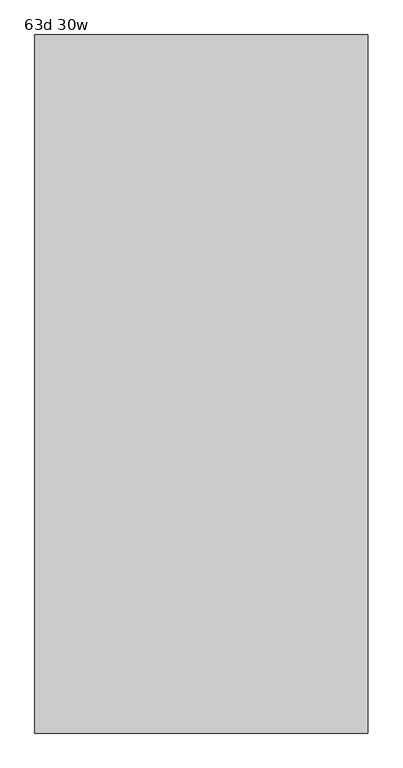
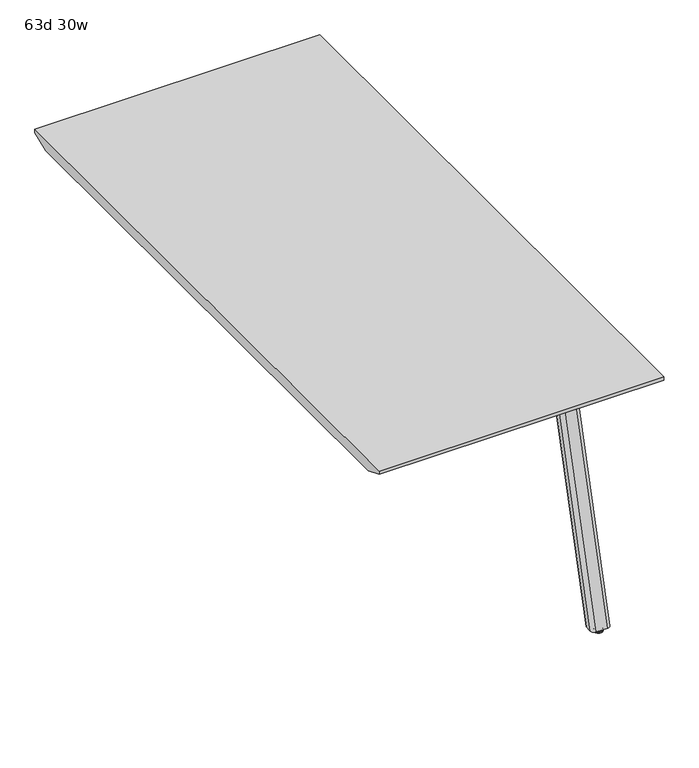
"""IFC4 building model written with IfcOpenShell, lengths in millimetres: furniture geometry, 63d 30w."""

from ifc_helpers import new_model, si_unit, point, frame, frame_2d, origin, place, context, project, spatial, polyline, circle_curve, ellipse_curve, trimmed, segment, composite_curve, outline, extrude, faceted_brep, source, transform, mapped, element, save
from ifc_brep_helpers import plane_surface, cylinder_surface, revolved_surface, extruded_surface, advanced_brep


def furniture_63d_30w_35527558(model_context):
    return source(origin(), model_context, "Body", "SolidModel", [
        extrude(outline(composite_curve([segment(polyline([(396.8908754, -1423.6587974), (504.0471246, -1423.6587974)]), True, "CONTINUOUS"), segment(trimmed(circle_curve(frame_2d((504.0471246, -1433.5806724)), 9.921875), [point((504.0471246, -1423.6587974))], [point((513.9689996, -1433.5806724))], False, "CARTESIAN"), True, "CONTINUOUS"), segment(polyline([(513.9689996, -1433.5806724), (513.9689996, -1515.3369163)]), True, "CONTINUOUS"), segment(trimmed(circle_curve(frame_2d((504.0471246, -1515.3369163)), 9.921875), [point((513.9689996, -1515.3369163))], [point((504.0471246, -1525.2587913))], False, "CARTESIAN"), True, "CONTINUOUS"), segment(polyline([(504.0471246, -1525.2587913), (396.8908754, -1525.2587913)]), True, "CONTINUOUS"), segment(trimmed(circle_curve(frame_2d((396.8908754, -1515.3369163)), 9.921875), [point((396.8908754, -1525.2587913))], [point((386.9690004, -1515.3369163))], False, "CARTESIAN"), True, "CONTINUOUS"), segment(polyline([(386.9690004, -1515.3369163), (386.9690004, -1433.5806724)]), True, "CONTINUOUS"), segment(trimmed(circle_curve(frame_2d((396.8908754, -1433.5806724)), 9.921875), [point((386.9690004, -1433.5806724))], [point((396.8908754, -1423.6587974))], False, "CARTESIAN"), True, "CONTINUOUS")], self_intersect=False)), frame((0.0, 0.0, 705.2055984), z_axis=(0.0, 0.0, 1.0), x_axis=(1.0, 0.0, 0.0)), (0.0, 0.0, 1.0), 5.9944016),
        advanced_brep(
        [(506.1270371, -1489.9941016, 705.2055984), (459.0729629, -1489.9941016, 705.2055984), (457.5809603, -1491.4861042, 705.2055984), (457.5809603, -1510.2969272, 705.2055984), (467.5028353, -1520.2188022, 705.2055984), (497.6971647, -1520.2188022, 705.2055984), (507.6190397, -1510.2969272, 705.2055984), (507.6190397, -1491.4861042, 705.2055984), (506.1270371, -1675.1899744, 10.7173168), (507.6190397, -1676.681977, 10.7173168), (507.6190397, -1696.3691016, 10.7173168), (497.6971647, -1706.2909766, 10.7173168), (467.5028353, -1706.2909766, 10.7173168), (457.5809603, -1696.3691016, 10.7173168), (457.5809603, -1676.681977, 10.7173168), (459.0729629, -1675.1899744, 10.7173168)],
        [
            (0, 1),
            (1, 2, circle_curve(frame((459.0729629, -1491.4861042, 705.2055984), z_axis=(0.0, 0.0, 1.0), x_axis=(-1.0, 0.0, 0.0)), 1.4920026)),
            (2, 3),
            (3, 4, circle_curve(frame((467.5028353, -1510.2969272, 705.2055984), z_axis=(0.0, 0.0, 1.0), x_axis=(-1.0, 0.0, 0.0)), 9.921875)),
            (4, 5),
            (5, 6, circle_curve(frame((497.6971647, -1510.2969272, 705.2055984), z_axis=(0.0, 0.0, 1.0), x_axis=(-1.0, 0.0, 0.0)), 9.921875)),
            (6, 7),
            (7, 0, circle_curve(frame((506.1270371, -1491.4861042, 705.2055984), z_axis=(0.0, 0.0, 1.0), x_axis=(-1.0, 0.0, 0.0)), 1.4920026)),
            (8, 9, circle_curve(frame((506.1270371, -1676.681977, 10.7173168), z_axis=(0.0, 0.0, -1.0), x_axis=(-1.0, 0.0, 0.0)), 1.4920026)),
            (9, 10),
            (10, 11, circle_curve(frame((497.6971647, -1696.3691016, 10.7173168), z_axis=(0.0, 0.0, -1.0), x_axis=(-1.0, 0.0, 0.0)), 9.921875)),
            (11, 12),
            (12, 13, circle_curve(frame((467.5028353, -1696.3691016, 10.7173168), z_axis=(0.0, 0.0, -1.0), x_axis=(-1.0, 0.0, 0.0)), 9.921875)),
            (13, 14),
            (14, 15, circle_curve(frame((459.0729629, -1676.681977, 10.7173168), z_axis=(0.0, 0.0, -1.0), x_axis=(-1.0, 0.0, 0.0)), 1.4920026)),
            (15, 8),
            (8, 0),
            (7, 9),
            (6, 10),
            (5, 11),
            (4, 12),
            (3, 13),
            (2, 14),
            (1, 15),
        ],
        [
            plane_surface(frame((482.6, -1502.9989838, 705.2055984), z_axis=(0.0, 0.0, 1.0), x_axis=(1.0, 0.0, 0.0))),
            plane_surface(frame((482.6, -1688.6330074, 10.7173168), z_axis=(0.0, 0.0, -1.0), x_axis=(1.0, 0.0, 0.0))),
            extruded_surface(trimmed(circle_curve(frame((506.1270371, -1491.4861042, 705.2055984), z_axis=(0.0, 0.0, -1.0), x_axis=(-1.0, 0.0, 0.0)), 1.4920026), [point((506.1270371, -1489.9941016, 705.2055984))], [point((507.6190397, -1491.4861042, 705.2055984))], True, "CARTESIAN"), (0.0, -185.19587279999996, -694.4882815999999), 718.7569022846839),
            plane_surface(frame((507.6190397, -1686.5255393, 10.7173168), z_axis=(1.0, 0.0, 0.0), x_axis=(0.0, -1.0, 0.0))),
            extruded_surface(trimmed(circle_curve(frame((497.6971647, -1510.2969272, 705.2055984), z_axis=(0.0, 0.0, -1.0), x_axis=(-1.0, 0.0, 0.0)), 9.921875), [point((507.6190397, -1510.2969272, 705.2055984))], [point((497.6971647, -1520.2188022, 705.2055984))], True, "CARTESIAN"), (0.0, -186.0721744, -694.4882815999999), 718.9831899047882),
            plane_surface(frame((482.6, -1706.2909766, 10.7173168), z_axis=(0.0, -0.9659311808061944, 0.2587990609456514), x_axis=(-1.0, 0.0, 0.0))),
            extruded_surface(trimmed(circle_curve(frame((467.5028353, -1510.2969272, 705.2055984), z_axis=(0.0, 0.0, -1.0), x_axis=(-1.0, 0.0, 0.0)), 9.921875), [point((467.5028353, -1520.2188022, 705.2055984))], [point((457.5809603, -1510.2969272, 705.2055984))], True, "CARTESIAN"), (0.0, -186.0721744, -694.4882815999999), 718.9831899047882),
            plane_surface(frame((457.5809603, -1686.5255393, 10.7173168), z_axis=(-1.0, 0.0, 0.0), x_axis=(0.0, 1.0, 0.0))),
            extruded_surface(trimmed(circle_curve(frame((459.0729629, -1491.4861042, 705.2055984), z_axis=(0.0, 0.0, -1.0), x_axis=(-1.0, 0.0, 0.0)), 1.4920026), [point((457.5809603, -1491.4861042, 705.2055984))], [point((459.0729629, -1489.9941016, 705.2055984))], True, "CARTESIAN"), (0.0, -185.19587279999996, -694.4882815999999), 718.7569022846839),
            plane_surface(frame((482.6, -1675.1899744, 10.7173168), z_axis=(0.0, 0.9662352867758855, -0.2576613486519124), x_axis=(1.0, 0.0, 0.0))),
        ],
        [
            (0, [[1, 2, 3, 4, 5, 6, 7, 8]]),
            (1, [[9, 10, 11, 12, 13, 14, 15, 16]]),
            (2, [[17, -8, 18, -9]]),
            (3, [[-18, -7, 19, -10]]),
            (4, [[-19, -6, 20, -11]]),
            (5, [[-20, -5, 21, -12]]),
            (6, [[-21, -4, 22, -13]]),
            (7, [[-22, -3, 23, -14]]),
            (8, [[-23, -2, 24, -15]]),
            (9, [[-24, -1, -17, -16]]),
        ],
    ),
        advanced_brep(
        [(486.5999739, -1690.4159766, 35.0000007), (482.6, -1690.4159766, 35.0000007), (478.6000261, -1690.4159766, 35.0000007), (486.5999739, -1690.4159766, 5.0000003), (478.6000261, -1690.4159766, 5.0000003), (492.8062326, -1690.4159766, 5.0000003), (472.3937674, -1690.4159766, 5.0000003), (493.5999826, -1690.4159766, 4.2062503), (471.6000174, -1690.4159766, 4.2062503), (493.5999826, -1690.4159766, 0.79375), (471.6000174, -1690.4159766, 0.79375), (492.8062326, -1690.4159766, 0.0), (472.3937674, -1690.4159766, 0.0), (482.6, -1690.4159766, 0.0)],
        [
            (0, 1),
            (1, 2),
            (2, 0, circle_curve(frame((482.6, -1690.4159766, 35.0000007), z_axis=(0.0, 0.0, 1.0), x_axis=(-1.0000000000000004, 0.0, 0.0)), 3.9999739)),
            (0, 2, circle_curve(frame((482.6, -1690.4159766, 35.0000007), z_axis=(0.0, 0.0, 1.0), x_axis=(-1.0000000000000004, 0.0, 0.0)), 3.9999739)),
            (3, 0),
            (2, 4),
            (4, 3, circle_curve(frame((482.6, -1690.4159766, 5.0000003), z_axis=(0.0, 0.0, 1.0), x_axis=(-1.0000000000000004, 0.0, 0.0)), 3.9999739)),
            (3, 4, circle_curve(frame((482.6, -1690.4159766, 5.0000003), z_axis=(0.0, 0.0, 1.0), x_axis=(-1.0000000000000004, 0.0, 0.0)), 3.9999739)),
            (5, 3),
            (4, 6),
            (6, 5, circle_curve(frame((482.6, -1690.4159766, 5.0000003), z_axis=(0.0, 0.0, 1.0), x_axis=(-1.0000000000000004, 0.0, 0.0)), 10.2062326)),
            (5, 6, circle_curve(frame((482.6, -1690.4159766, 5.0000003), z_axis=(0.0, 0.0, 1.0), x_axis=(-1.0000000000000004, 0.0, 0.0)), 10.2062326)),
            (7, 5, circle_curve(frame((492.8062326, -1690.4159766, 4.2062503), z_axis=(0.0, -1.0000000000000004, 0.0), x_axis=(0.0, 0.0, -1.0)), 0.79375)),
            (6, 8, circle_curve(frame((472.3937674, -1690.4159766, 4.2062503), z_axis=(0.0, -1.0000000000000004, 0.0), x_axis=(0.0, 0.0, -1.0)), 0.79375)),
            (8, 7, circle_curve(frame((482.6, -1690.4159766, 4.2062503), z_axis=(0.0, 0.0, 1.0), x_axis=(-1.0000000000000004, 0.0, 0.0)), 10.9999826)),
            (7, 8, circle_curve(frame((482.6, -1690.4159766, 4.2062503), z_axis=(0.0, 0.0, 1.0), x_axis=(-1.0000000000000004, 0.0, 0.0)), 10.9999826)),
            (9, 7),
            (8, 10),
            (10, 9, circle_curve(frame((482.6, -1690.4159766, 0.79375), z_axis=(0.0, 0.0, 1.0), x_axis=(-1.0000000000000004, 0.0, 0.0)), 10.9999826)),
            (9, 10, circle_curve(frame((482.6, -1690.4159766, 0.79375), z_axis=(0.0, 0.0, 1.0), x_axis=(-1.0000000000000004, 0.0, 0.0)), 10.9999826)),
            (11, 9, circle_curve(frame((492.8062326, -1690.4159766, 0.79375), z_axis=(0.0, -1.0000000000000004, 0.0), x_axis=(0.0, 0.0, -1.0)), 0.79375)),
            (10, 12, circle_curve(frame((472.3937674, -1690.4159766, 0.79375), z_axis=(0.0, -1.0000000000000004, 0.0), x_axis=(0.0, 0.0, -1.0)), 0.79375)),
            (12, 11, circle_curve(frame((482.6, -1690.4159766, 0.0), z_axis=(0.0, 0.0, 1.0), x_axis=(-1.0000000000000004, 0.0, 0.0)), 10.2062326)),
            (11, 12, circle_curve(frame((482.6, -1690.4159766, 0.0), z_axis=(0.0, 0.0, 1.0), x_axis=(-1.0000000000000004, 0.0, 0.0)), 10.2062326)),
            (13, 11),
            (12, 13),
        ],
        [
            plane_surface(frame((482.6, -1690.4159766, 35.0000007), z_axis=(0.0, 0.0, 1.0), x_axis=(-1.0, 0.0, 0.0))),
            cylinder_surface(frame((482.6, -1690.4159766, 52.3860264), z_axis=(0.0, 0.0, -1.0), x_axis=(-1.0000000000000004, 0.0, 0.0)), 3.9999739),
            plane_surface(frame((482.6, -1690.4159766, 5.0000003), z_axis=(0.0, 0.0, 1.0), x_axis=(-1.0, 0.0, 0.0))),
            revolved_surface(trimmed(ellipse_curve(frame((472.3937674, -1690.4159766, 4.2062503), z_axis=(0.0, -1.0000000000000004, 0.0), x_axis=(0.0, 0.0, -1.0)), 0.79375, 0.79375), [point((472.3937674, -1690.4159766, 5.0000003))], [point((471.6000174, -1690.4159766, 4.2062503))], True, "CARTESIAN"), (482.6, -1690.4159766, 52.3860264), (0.0, 0.0, -1.0)),
            cylinder_surface(frame((482.6, -1690.4159766, 52.3860264), z_axis=(0.0, 0.0, -1.0), x_axis=(-1.0000000000000004, 0.0, 0.0)), 10.9999826),
            revolved_surface(trimmed(ellipse_curve(frame((472.3937674, -1690.4159766, 0.79375), z_axis=(0.0, -1.0000000000000004, 0.0), x_axis=(0.0, 0.0, -1.0)), 0.79375, 0.79375), [point((471.6000174, -1690.4159766, 0.79375))], [point((472.3937674, -1690.4159766, 0.0))], True, "CARTESIAN"), (482.6, -1690.4159766, 52.3860264), (0.0, 0.0, -1.0)),
            plane_surface(frame((482.6, -1690.4159766, 0.0), z_axis=(0.0, 0.0, -1.0), x_axis=(-1.0, 0.0, 0.0))),
        ],
        [
            (0, [[1, 2, 3]]),
            (0, [[-2, -1, 4]]),
            (1, [[5, -3, 6, 7]]),
            (1, [[-6, -4, -5, 8]]),
            (2, [[9, -7, 10, 11]]),
            (2, [[-10, -8, -9, 12]]),
            (3, [[13, -11, 14, 15]]),
            (3, [[-14, -12, -13, 16]]),
            (4, [[17, -15, 18, 19]]),
            (4, [[-18, -16, -17, 20]]),
            (5, [[21, -19, 22, 23]]),
            (5, [[-22, -20, -21, 24]]),
            (6, [[25, -23, 26]]),
            (6, [[-26, -24, -25]]),
        ],
    ),
        extrude(outline(composite_curve([segment(trimmed(circle_curve(frame_2d((396.8908754, -561.3637807)), 9.921875), [point((396.8908754, -571.2856557))], [point((386.9690004, -561.3637807))], False, "CARTESIAN"), True, "CONTINUOUS"), segment(polyline([(386.9690004, -561.3637807), (386.9690004, -479.6075368)]), True, "CONTINUOUS"), segment(trimmed(circle_curve(frame_2d((396.8908754, -479.6075368)), 9.921875), [point((386.9690004, -479.6075368))], [point((396.8908754, -469.6856618))], False, "CARTESIAN"), True, "CONTINUOUS"), segment(polyline([(396.8908754, -469.6856618), (504.0471246, -469.6856618)]), True, "CONTINUOUS"), segment(trimmed(circle_curve(frame_2d((504.0471246, -479.6075368)), 9.921875), [point((504.0471246, -469.6856618))], [point((513.9689996, -479.6075368))], False, "CARTESIAN"), True, "CONTINUOUS"), segment(polyline([(513.9689996, -479.6075368), (513.9689996, -561.3637807)]), True, "CONTINUOUS"), segment(trimmed(circle_curve(frame_2d((504.0471246, -561.3637807)), 9.921875), [point((513.9689996, -561.3637807))], [point((504.0471246, -571.2856557))], False, "CARTESIAN"), True, "CONTINUOUS"), segment(polyline([(504.0471246, -571.2856557), (396.8908754, -571.2856557)]), True, "CONTINUOUS")], self_intersect=False)), frame((0.0, 0.0, 705.2055984), z_axis=(0.0, 0.0, 1.0), x_axis=(1.0, 0.0, 0.0)), (0.0, 0.0, 1.0), 5.9944016),
        advanced_brep(
        [(506.1270371, -504.9503516, 705.2055984), (507.6190397, -503.4583489, 705.2055984), (507.6190397, -484.6475259, 705.2055984), (497.6971647, -474.7256509, 705.2055984), (467.5028353, -474.7256509, 705.2055984), (457.5809603, -484.6475259, 705.2055984), (457.5809603, -503.4583489, 705.2055984), (459.0729629, -504.9503516, 705.2055984), (506.1270371, -319.7544788, 10.7173168), (459.0729629, -319.7544788, 10.7173168), (457.5809603, -318.2624761, 10.7173168), (457.5809603, -298.5753516, 10.7173168), (467.5028353, -288.6534766, 10.7173168), (497.6971647, -288.6534766, 10.7173168), (507.6190397, -298.5753516, 10.7173168), (507.6190397, -318.2624761, 10.7173168)],
        [
            (0, 1, circle_curve(frame((506.1270371, -503.4583489, 705.2055984), z_axis=(0.0, 0.0, 1.0), x_axis=(-1.0, 0.0, 0.0)), 1.4920026)),
            (1, 2),
            (2, 3, circle_curve(frame((497.6971647, -484.6475259, 705.2055984), z_axis=(0.0, 0.0, 1.0), x_axis=(-1.0, 0.0, 0.0)), 9.921875)),
            (3, 4),
            (4, 5, circle_curve(frame((467.5028353, -484.6475259, 705.2055984), z_axis=(0.0, 0.0, 1.0), x_axis=(-1.0, 0.0, 0.0)), 9.921875)),
            (5, 6),
            (6, 7, circle_curve(frame((459.0729629, -503.4583489, 705.2055984), z_axis=(0.0, 0.0, 1.0), x_axis=(-1.0, 0.0, 0.0)), 1.4920026)),
            (7, 0),
            (8, 9),
            (9, 10, circle_curve(frame((459.0729629, -318.2624761, 10.7173168), z_axis=(0.0, 0.0, -1.0), x_axis=(-1.0, 0.0, 0.0)), 1.4920026)),
            (10, 11),
            (11, 12, circle_curve(frame((467.5028353, -298.5753516, 10.7173168), z_axis=(0.0, 0.0, -1.0), x_axis=(-1.0, 0.0, 0.0)), 9.921875)),
            (12, 13),
            (13, 14, circle_curve(frame((497.6971647, -298.5753516, 10.7173168), z_axis=(0.0, 0.0, -1.0), x_axis=(-1.0, 0.0, 0.0)), 9.921875)),
            (14, 15),
            (15, 8, circle_curve(frame((506.1270371, -318.2624761, 10.7173168), z_axis=(0.0, 0.0, -1.0), x_axis=(-1.0, 0.0, 0.0)), 1.4920026)),
            (15, 1),
            (0, 8),
            (14, 2),
            (13, 3),
            (12, 4),
            (11, 5),
            (10, 6),
            (9, 7),
        ],
        [
            plane_surface(frame((482.6, -491.9454693, 705.2055984), z_axis=(0.0, 0.0, 1.0), x_axis=(1.0, 0.0, 0.0))),
            plane_surface(frame((482.6, -306.3114458, 10.7173168), z_axis=(0.0, 0.0, -1.0), x_axis=(1.0, 0.0, 0.0))),
            extruded_surface(trimmed(circle_curve(frame((506.1270371, -318.2624761, 10.7173168), z_axis=(0.0, 0.0, 1.0), x_axis=(-1.0, 0.0, 0.0)), 1.4920026), [point((506.1270371, -319.7544788, 10.7173168))], [point((507.6190397, -318.2624761, 10.7173168))], True, "CARTESIAN"), (0.0, -185.19587279999996, 694.4882815999999), 718.7569022846839),
            plane_surface(frame((507.6190397, -308.4189138, 10.7173168), z_axis=(1.0, 0.0, 0.0), x_axis=(0.0, 1.0, 0.0))),
            extruded_surface(trimmed(circle_curve(frame((497.6971647, -298.5753516, 10.7173168), z_axis=(0.0, 0.0, 1.0), x_axis=(-1.0, 0.0, 0.0)), 9.921875), [point((507.6190397, -298.5753516, 10.7173168))], [point((497.6971647, -288.6534766, 10.7173168))], True, "CARTESIAN"), (0.0, -186.07217430000003, 694.4882815999999), 718.9831898789083),
            plane_surface(frame((482.6, -288.6534766, 10.7173168), z_axis=(0.0, 0.9659311808061944, 0.2587990609456514), x_axis=(-1.0, 0.0, 0.0))),
            extruded_surface(trimmed(circle_curve(frame((467.5028353, -298.5753516, 10.7173168), z_axis=(0.0, 0.0, 1.0), x_axis=(-1.0, 0.0, 0.0)), 9.921875), [point((467.5028353, -288.6534766, 10.7173168))], [point((457.5809603, -298.5753516, 10.7173168))], True, "CARTESIAN"), (0.0, -186.07217430000003, 694.4882815999999), 718.9831898789083),
            plane_surface(frame((457.5809603, -308.4189138, 10.7173168), z_axis=(-1.0, 0.0, 0.0), x_axis=(0.0, -1.0, 0.0))),
            extruded_surface(trimmed(circle_curve(frame((459.0729629, -318.2624761, 10.7173168), z_axis=(0.0, 0.0, 1.0), x_axis=(-1.0, 0.0, 0.0)), 1.4920026), [point((457.5809603, -318.2624761, 10.7173168))], [point((459.0729629, -319.7544788, 10.7173168))], True, "CARTESIAN"), (0.0, -185.19587279999996, 694.4882815999999), 718.7569022846839),
            plane_surface(frame((482.6, -319.7544788, 10.7173168), z_axis=(0.0, -0.9662352867758855, -0.2576613486519124), x_axis=(1.0, 0.0, 0.0))),
        ],
        [
            (0, [[1, 2, 3, 4, 5, 6, 7, 8]]),
            (1, [[9, 10, 11, 12, 13, 14, 15, 16]]),
            (2, [[-16, 17, -1, 18]]),
            (3, [[-15, 19, -2, -17]]),
            (4, [[-14, 20, -3, -19]]),
            (5, [[-13, 21, -4, -20]]),
            (6, [[-12, 22, -5, -21]]),
            (7, [[-11, 23, -6, -22]]),
            (8, [[-10, 24, -7, -23]]),
            (9, [[-9, -18, -8, -24]]),
        ],
    ),
        advanced_brep(
        [(486.5999739, -304.5284766, 35.0000007), (478.6000261, -304.5284766, 35.0000007), (482.6, -304.5284766, 35.0000007), (486.5999739, -304.5284766, 5.0000003), (478.6000261, -304.5284766, 5.0000003), (492.8062326, -304.5284766, 5.0000003), (472.3937674, -304.5284766, 5.0000003), (493.5999826, -304.5284766, 4.2062503), (471.6000174, -304.5284766, 4.2062503), (493.5999826, -304.5284766, 0.79375), (471.6000174, -304.5284766, 0.79375), (492.8062326, -304.5284766, 0.0), (472.3937674, -304.5284766, 0.0), (482.6, -304.5284766, 0.0)],
        [
            (0, 1, circle_curve(frame((482.6, -304.5284766, 35.0000007), z_axis=(0.0, 0.0, 1.0), x_axis=(-1.0000000000000004, 0.0, 0.0)), 3.9999739)),
            (1, 2),
            (2, 0),
            (1, 0, circle_curve(frame((482.6, -304.5284766, 35.0000007), z_axis=(0.0, 0.0, 1.0), x_axis=(-1.0000000000000004, 0.0, 0.0)), 3.9999739)),
            (3, 4, circle_curve(frame((482.6, -304.5284766, 5.0000003), z_axis=(0.0, 0.0, 1.0), x_axis=(-1.0000000000000004, 0.0, 0.0)), 3.9999739)),
            (4, 1),
            (0, 3),
            (4, 3, circle_curve(frame((482.6, -304.5284766, 5.0000003), z_axis=(0.0, 0.0, 1.0), x_axis=(-1.0000000000000004, 0.0, 0.0)), 3.9999739)),
            (5, 6, circle_curve(frame((482.6, -304.5284766, 5.0000003), z_axis=(0.0, 0.0, 1.0), x_axis=(-1.0000000000000004, 0.0, 0.0)), 10.2062326)),
            (6, 4),
            (3, 5),
            (6, 5, circle_curve(frame((482.6, -304.5284766, 5.0000003), z_axis=(0.0, 0.0, 1.0), x_axis=(-1.0000000000000004, 0.0, 0.0)), 10.2062326)),
            (7, 8, circle_curve(frame((482.6, -304.5284766, 4.2062503), z_axis=(0.0, 0.0, 1.0), x_axis=(-1.0000000000000004, 0.0, 0.0)), 10.9999826)),
            (8, 6, circle_curve(frame((472.3937674, -304.5284766, 4.2062503), z_axis=(0.0, 1.0000000000000004, 0.0), x_axis=(0.0, 0.0, -1.0)), 0.79375)),
            (5, 7, circle_curve(frame((492.8062326, -304.5284766, 4.2062503), z_axis=(0.0, 1.0000000000000004, 0.0), x_axis=(0.0, 0.0, -1.0)), 0.79375)),
            (8, 7, circle_curve(frame((482.6, -304.5284766, 4.2062503), z_axis=(0.0, 0.0, 1.0), x_axis=(-1.0000000000000004, 0.0, 0.0)), 10.9999826)),
            (9, 10, circle_curve(frame((482.6, -304.5284766, 0.79375), z_axis=(0.0, 0.0, 1.0), x_axis=(-1.0000000000000004, 0.0, 0.0)), 10.9999826)),
            (10, 8),
            (7, 9),
            (10, 9, circle_curve(frame((482.6, -304.5284766, 0.79375), z_axis=(0.0, 0.0, 1.0), x_axis=(-1.0000000000000004, 0.0, 0.0)), 10.9999826)),
            (11, 12, circle_curve(frame((482.6, -304.5284766, 0.0), z_axis=(0.0, 0.0, 1.0), x_axis=(-1.0000000000000004, 0.0, 0.0)), 10.2062326)),
            (12, 10, circle_curve(frame((472.3937674, -304.5284766, 0.79375), z_axis=(0.0, 1.0000000000000004, 0.0), x_axis=(0.0, 0.0, -1.0)), 0.79375)),
            (9, 11, circle_curve(frame((492.8062326, -304.5284766, 0.79375), z_axis=(0.0, 1.0000000000000004, 0.0), x_axis=(0.0, 0.0, -1.0)), 0.79375)),
            (12, 11, circle_curve(frame((482.6, -304.5284766, 0.0), z_axis=(0.0, 0.0, 1.0), x_axis=(-1.0000000000000004, 0.0, 0.0)), 10.2062326)),
            (13, 12),
            (11, 13),
        ],
        [
            plane_surface(frame((482.6, -304.5284766, 35.0000007), z_axis=(0.0, 0.0, 1.0), x_axis=(-1.0, 0.0, 0.0))),
            cylinder_surface(frame((482.6, -304.5284766, 52.3860264), z_axis=(0.0, 0.0, -1.0), x_axis=(-1.0000000000000004, 0.0, 0.0)), 3.9999739),
            plane_surface(frame((482.6, -304.5284766, 5.0000003), z_axis=(0.0, 0.0, 1.0), x_axis=(-1.0, 0.0, 0.0))),
            revolved_surface(trimmed(ellipse_curve(frame((472.3937674, -304.5284766, 4.2062503), z_axis=(0.0, -1.0000000000000004, 0.0), x_axis=(0.0, 0.0, -1.0)), 0.79375, 0.79375), [point((472.3937674, -304.5284766, 5.0000003))], [point((471.6000174, -304.5284766, 4.2062503))], True, "CARTESIAN"), (482.6, -304.5284766, 52.3860264), (0.0, 0.0, -1.0)),
            cylinder_surface(frame((482.6, -304.5284766, 52.3860264), z_axis=(0.0, 0.0, -1.0), x_axis=(-1.0000000000000004, 0.0, 0.0)), 10.9999826),
            revolved_surface(trimmed(ellipse_curve(frame((472.3937674, -304.5284766, 0.79375), z_axis=(0.0, -1.0000000000000004, 0.0), x_axis=(0.0, 0.0, -1.0)), 0.79375, 0.79375), [point((471.6000174, -304.5284766, 0.79375))], [point((472.3937674, -304.5284766, 0.0))], True, "CARTESIAN"), (482.6, -304.5284766, 52.3860264), (0.0, 0.0, -1.0)),
            plane_surface(frame((482.6, -304.5284766, 0.0), z_axis=(0.0, 0.0, -1.0), x_axis=(-1.0, 0.0, 0.0))),
        ],
        [
            (0, [[1, 2, 3]]),
            (0, [[4, -3, -2]]),
            (1, [[5, 6, -1, 7]]),
            (1, [[8, -7, -4, -6]]),
            (2, [[9, 10, -5, 11]]),
            (2, [[12, -11, -8, -10]]),
            (3, [[13, 14, -9, 15]]),
            (3, [[16, -15, -12, -14]]),
            (4, [[17, 18, -13, 19]]),
            (4, [[20, -19, -16, -18]]),
            (5, [[21, 22, -17, 23]]),
            (5, [[24, -23, -20, -22]]),
            (6, [[25, -21, 26]]),
            (6, [[-26, -24, -25]]),
        ],
    ),
        faceted_brep([(596.9, -199.7534766, 741.3625), (-165.1, -199.7534766, 741.3625), (-165.1, -1795.1909766, 741.3625), (596.9, -1795.1909766, 741.3625), (-165.1, -1744.3909766, 711.2), (-165.1, -250.5534766, 711.2), (546.1, -250.5534766, 711.2), (546.1, -1744.3909766, 711.2), (596.9, -199.7534766, 731.8375), (-165.1, -199.7534766, 731.8375), (-165.1, -1795.1909766, 731.8375), (596.9, -1795.1909766, 731.8375)], [[[0, 1, 2, 3]], [[4, 5, 6, 7]], [[1, 0, 8, 9]], [[2, 1, 9, 5, 4, 10]], [[3, 2, 10, 11]], [[0, 3, 11, 8]], [[9, 8, 6, 5]], [[7, 6, 8, 11]], [[10, 4, 7, 11]]]),
    ])


if __name__ == "__main__":
    model = new_model("IFC4")
    model_context = context("Model", 3, world=origin())
    ifc_project = project(units=[si_unit("LENGTHUNIT", "METRE", prefix="MILLI")], contexts=[model_context])
    site = spatial("IfcSite", under=ifc_project)
    building = spatial("IfcBuilding", under=site)
    placement = place(None, origin())
    furniture_63d_30w_shape = furniture_63d_30w_35527558(model_context)
    element("IfcFurniture", 1, ObjectType="63d 30w", at=placement, inside=building, context=model_context, shape_type="MappedRepresentation", body=[
        mapped(furniture_63d_30w_shape, transform((0.0, 0.0, 0.0), x_axis=(1.0, 0.0, 0.0), y_axis=(0.0, 1.0, 0.0), z_axis=(0.0, 0.0, 1.0))),
    ])
    save(model, "model.ifc")
